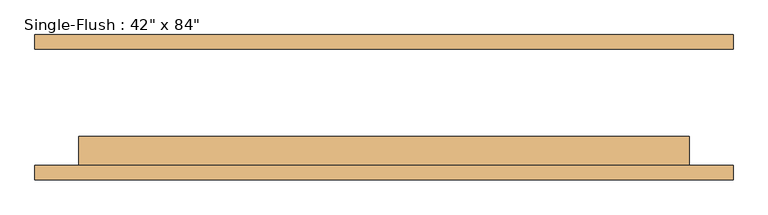
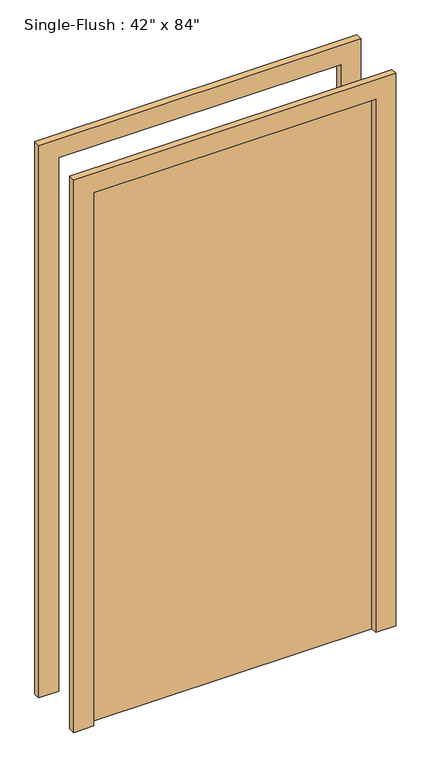
"""IFC4 building model written with IfcOpenShell, lengths in millimetres: door geometry."""

import ifcopenshell
import ifcopenshell.guid

model = None  # the IFC model being written
_history = None  # IfcOwnerHistory: only IFC2X3 demands one
_inside = {}  # id of a spatial element -> (the spatial element, [elements in it])
_under = {}  # id of a project, library or spatial element -> (it, [spatial elements below it])
_declared = {}  # id of a project -> (the project, [libraries it declares])
_typed = {}  # id of a type object -> (the type object, [elements of that type])
_made_of = {}  # id of a material, layer set ... -> (it, [elements and type objects made of it])


def new_model(schema):
    """Start an empty IFC model of exactly this schema.

    Asked for "IFC4X3", IfcOpenShell would pick the latest addendum, in which some entities
    have other attributes; the version numbers below select the first issue.
    IFC2X3 requires an IfcOwnerHistory on every rooted entity: one is made here for all.
    """
    global model, _history
    if schema == "IFC4X3":
        model = ifcopenshell.file(schema_version=(4, 3, 0, 0))
    else:
        model = ifcopenshell.file(schema=schema)
    _inside.clear()
    _under.clear()
    _declared.clear()
    _typed.clear()
    _made_of.clear()
    _history = None
    if model.schema == "IFC2X3":
        org = make("IfcOrganization", Name="unknown")
        user = make(
            "IfcPersonAndOrganization",
            ThePerson=make("IfcPerson", FamilyName="unknown"),
            TheOrganization=org,
        )
        app = make(
            "IfcApplication",
            ApplicationDeveloper=org,
            Version="unknown",
            ApplicationFullName="unknown",
            ApplicationIdentifier="unknown",
        )
        _history = make(
            "IfcOwnerHistory",
            OwningUser=user,
            OwningApplication=app,
            ChangeAction="ADDED",
            CreationDate=0,
        )
    return model


def make(cls, **values):
    """One entity of the class cls with the attributes given. An attribute that is None is left unset."""
    return model.create_entity(
        cls, **{name: value for name, value in values.items() if value is not None}
    )


def rooted(cls, **values):
    """An entity with a GlobalId (a new one), such as an element, a storey or a relation."""
    return make(cls, GlobalId=ifcopenshell.guid.new(), OwnerHistory=_history, **values)


def si_unit(unit_type, name, prefix=None):
    """IfcSIUnit, for example si_unit("LENGTHUNIT", "METRE", prefix="MILLI")."""
    return make("IfcSIUnit", UnitType=unit_type, Prefix=prefix, Name=name)


def assignment(units):
    """IfcUnitAssignment: the units of a project."""
    return None if units is None else make("IfcUnitAssignment", Units=units)


def point(xyz):
    """IfcCartesianPoint."""
    return None if xyz is None else make("IfcCartesianPoint", Coordinates=xyz)


def direction(xyz):
    """IfcDirection."""
    return None if xyz is None else make("IfcDirection", DirectionRatios=xyz)


def frame(location, z_axis=None, x_axis=None):
    """IfcAxis2Placement3D, a coordinate frame: its origin and axes. An axis left out is left unset."""
    return make(
        "IfcAxis2Placement3D",
        Location=point(location),
        Axis=direction(z_axis),
        RefDirection=direction(x_axis),
    )


def origin():
    """The frame at (0, 0, 0) with its axes left unset."""
    return frame((0.0, 0.0, 0.0))


def origin_with_axes():
    """The frame at (0, 0, 0) with the z axis (0, 0, 1) and the x axis (1, 0, 0) written out."""
    return frame((0.0, 0.0, 0.0), z_axis=(0.0, 0.0, 1.0), x_axis=(1.0, 0.0, 0.0))


def place(relative_to, where):
    """IfcLocalPlacement: puts the frame where relative to a parent placement (None: the world)."""
    return make(
        "IfcLocalPlacement", PlacementRelTo=relative_to, RelativePlacement=where
    )


def context(
    kind, dimensions, precision=None, world=None, true_north=None, identifier=None
):
    """IfcGeometricRepresentationContext, for example the 3D "Model" context."""
    return make(
        "IfcGeometricRepresentationContext",
        ContextIdentifier=identifier,
        ContextType=kind,
        CoordinateSpaceDimension=dimensions,
        Precision=precision,
        WorldCoordinateSystem=world,
        TrueNorth=true_north,
    )


def project(units=None, contexts=None):
    """IfcProject with its units and contexts."""
    return rooted(
        "IfcProject",
        Name="project",
        RepresentationContexts=contexts,
        UnitsInContext=assignment(units),
    )


def spatial(cls, under=None, at=None, **own):
    """A site, building, storey or space (cls), placed at a placement, below another one or the project."""
    s = rooted(cls, ObjectPlacement=at, **own)
    if under is not None:
        _under.setdefault(under.id(), (under, []))[1].append(s)
    return s


def polyline(points):
    """IfcPolyline through the points."""
    return make("IfcPolyline", Points=[point(p) for p in points])


def outline(outer, holes=None, kind="AREA"):
    """IfcArbitraryClosedProfileDef: a profile drawn as a closed curve; with holes, ...WithVoids."""
    if holes is None:
        return make("IfcArbitraryClosedProfileDef", ProfileType=kind, OuterCurve=outer)
    return make(
        "IfcArbitraryProfileDefWithVoids",
        ProfileType=kind,
        OuterCurve=outer,
        InnerCurves=holes,
    )


def extrude(swept, where, along, depth):
    """IfcExtrudedAreaSolid: the profile swept, set in the frame where, extruded along a direction by depth."""
    return make(
        "IfcExtrudedAreaSolid",
        SweptArea=swept,
        Position=where,
        ExtrudedDirection=direction(along),
        Depth=depth,
    )


def shape(context_of_items, identifier, shape_type, items):
    """IfcShapeRepresentation: the items that make up one representation, for example the "Body"."""
    return make(
        "IfcShapeRepresentation",
        ContextOfItems=context_of_items,
        RepresentationIdentifier=identifier,
        RepresentationType=shape_type,
        Items=items,
    )


def source(mapping_origin, context_of_items, identifier, shape_type, items):
    """IfcRepresentationMap: a shape defined once, which mapped items show again and again."""
    return make(
        "IfcRepresentationMap",
        MappingOrigin=mapping_origin,
        MappedRepresentation=shape(context_of_items, identifier, shape_type, items),
    )


def transform(
    local_origin,
    x_axis=None,
    y_axis=None,
    z_axis=None,
    scale=None,
    scale2=None,
    scale3=None,
    uniform=True,
):
    """IfcCartesianTransformationOperator3D, or its non-uniform kind. x_axis, y_axis, z_axis: its Axis1, 2, 3."""
    if uniform:
        return make(
            "IfcCartesianTransformationOperator3D",
            Axis1=direction(x_axis),
            Axis2=direction(y_axis),
            LocalOrigin=point(local_origin),
            Scale=scale,
            Axis3=direction(z_axis),
        )
    return make(
        "IfcCartesianTransformationOperator3DnonUniform",
        Axis1=direction(x_axis),
        Axis2=direction(y_axis),
        LocalOrigin=point(local_origin),
        Scale=scale,
        Axis3=direction(z_axis),
        Scale2=scale2,
        Scale3=scale3,
    )


def mapped(mapping_source, mapping_target):
    """IfcMappedItem: shows the shape of a source again, moved by a transform."""
    return make(
        "IfcMappedItem", MappingSource=mapping_source, MappingTarget=mapping_target
    )


def made_of(thing, what):
    """Note that an element or type object is made of a material, layer set ...; save() writes the relation."""
    if what is not None:
        _made_of.setdefault(what.id(), (what, []))[1].append(thing)
    return thing


def element(
    cls,
    number,
    at=None,
    inside=None,
    cuts=None,
    type_object=None,
    material=None,
    context=None,
    identifier="Body",
    shape_type=None,
    held_by="IfcProductDefinitionShape",
    body=None,
    shapes=None,
    **own,
):
    """One element of the class cls, such as IfcWall. Its Tag is "e" and its number.

    at: its placement. inside: the storey or other place that contains it. cuts: it is an
    opening in that element (IfcRelVoidsElement). A single representation is given by context,
    identifier, shape_type and body (its items); several are given by shapes. held_by: the class
    of the entity that holds the representations. save() writes the other relations.
    """
    e = rooted(cls, Tag="e%d" % number, ObjectPlacement=at, **own)
    if body is not None:
        shapes = [shape(context, identifier, shape_type, body)]
    if shapes is not None:
        e.Representation = make(held_by, Representations=shapes)
    if inside is not None:
        _inside.setdefault(inside.id(), (inside, []))[1].append(e)
    if cuts is not None:
        rooted(
            "IfcRelVoidsElement", RelatingBuildingElement=cuts, RelatedOpeningElement=e
        )
    if type_object is not None:
        _typed.setdefault(type_object.id(), (type_object, []))[1].append(e)
    return made_of(e, material)


def aggregate(whole, parts):
    """IfcRelAggregates: a whole, such as a stair, and the parts it consists of."""
    return rooted("IfcRelAggregates", RelatingObject=whole, RelatedObjects=parts)


def save(model, path):
    """Write the relations noted so far, then the file.

    IfcRelAggregates (storeys below a building ...), IfcRelContainedInSpatialStructure (elements
    in a storey), IfcRelDefinesByType, IfcRelAssociatesMaterial and IfcRelDeclares: one each for
    every whole, place, type object, material and project.
    """
    for whole, parts in _under.values():
        aggregate(whole, parts)
    for where, things in _inside.values():
        rooted(
            "IfcRelContainedInSpatialStructure",
            RelatedElements=things,
            RelatingStructure=where,
        )
    for kind, things in _typed.values():
        rooted("IfcRelDefinesByType", RelatedObjects=things, RelatingType=kind)
    for what, things in _made_of.values():
        rooted("IfcRelAssociatesMaterial", RelatedObjects=things, RelatingMaterial=what)
    for by, libraries in _declared.values():
        rooted("IfcRelDeclares", RelatingContext=by, RelatedDefinitions=libraries)
    model.write(path)


def door_e5858c66(model_context):
    return source(origin(), model_context, "Body", "SweptSolid", [
        extrude(outline(polyline([(2209.8, -609.6), (0.0, -609.6), (0.0, -533.4), (2133.6, -533.4), (2133.6, 533.4), (0.0, 533.4), (0.0, 609.6), (2209.8, 609.6), (2209.8, -609.6)])), frame((0.0, -127.0, 0.0), z_axis=(0.0, 1.0, 0.0), x_axis=(0.0, 0.0, 1.0)), (0.0, 0.0, 1.0), 25.4),
        extrude(outline(polyline([(2209.8, 609.6), (2209.8, -609.6), (0.0, -609.6), (0.0, -533.4), (2133.6, -533.4), (2133.6, 533.4), (0.0, 533.4), (0.0, 609.6), (2209.8, 609.6)])), frame((0.0, 101.6, 0.0), z_axis=(0.0, 1.0, 0.0), x_axis=(0.0, 0.0, 1.0)), (0.0, 0.0, 1.0), 25.4),
        extrude(outline(polyline([(533.4, -50.8), (533.4, -101.6), (-533.4, -101.6), (-533.4, -50.8), (533.4, -50.8)])), origin_with_axes(), (0.0, 0.0, 1.0), 2133.6),
    ])


if __name__ == "__main__":
    model = new_model("IFC4")
    model_context = context("Model", 3, world=origin())
    ifc_project = project(units=[si_unit("LENGTHUNIT", "METRE", prefix="MILLI")], contexts=[model_context])
    site = spatial("IfcSite", under=ifc_project)
    building = spatial("IfcBuilding", under=site)
    placement = place(None, origin())
    door_shape = door_e5858c66(model_context)
    element("IfcDoor", 1, ObjectType="Single-Flush : 42\" x 84\"", at=placement, inside=building, context=model_context, shape_type="MappedRepresentation", body=[
        mapped(door_shape, transform((0.0, 0.0, 0.0), x_axis=(1.0, 0.0, 0.0), y_axis=(0.0, 1.0, 0.0), z_axis=(0.0, 0.0, 1.0))),
    ])
    save(model, "model.ifc")
